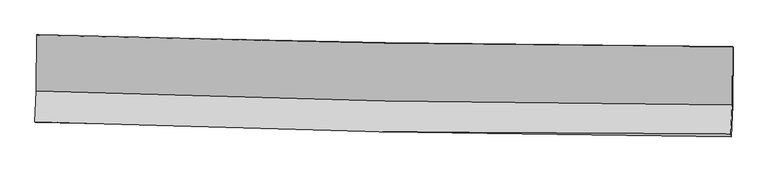
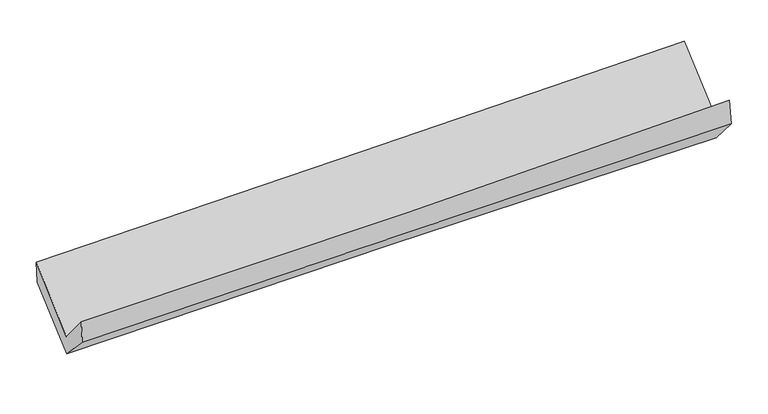
"""IFC4 building model written with IfcOpenShell, lengths in millimetres: proxy geometry."""

from ifc_helpers import new_model, si_unit, frame, origin, place, context, project, spatial, source, transform, mapped, element, save
from ifc_brep_helpers import plane_surface, spline_curve, spline_surface, advanced_brep


def generic_models_f9d85bf8(model_context):
    return source(origin(), model_context, "Body", "AdvancedBrep", [
        advanced_brep(
        [(-3030.3442216, -1170.9992821, 2178.9282363), (-3031.2981829, -1662.9324601, 1734.2108718), (3020.3785087, -1781.3448039, 1890.5876001), (3021.8894682, -1272.645575, 2327.546936), (-3044.6215177, -1930.9615169, 2051.2978677), (3007.4416815, -2033.5164379, 2206.4669375), (-3040.0871681, -1933.1512133, 1851.0261674), (3011.8310481, -2062.6089216, 1985.9295953), (-3027.4333352, -1662.5062705, 1565.7762893), (3025.1193606, -1787.7430438, 1677.1325991), (-3025.8269645, -1172.8173337, 1979.7707696), (3026.9402335, -1279.7506336, 2099.8528913)],
        [
            (0, 1),
            (1, 2, spline_curve(3, [(-3031.2981829, -1662.9324601, 1734.2108718), (-2023.136724624, -1699.581584316, 1764.521005226), (-1014.763927594, -1727.773801742, 1792.707156407), (1002.461612002, -1767.245543676, 1844.832973865), (2011.314379209, -1778.524107455, 1868.772398653), (3020.3785087, -1781.3448039, 1890.5876001)], [4, 2, 4], [0.0, 9.932587301025173, 19.865738598003755])),
            (2, 3),
            (3, 0, spline_curve(3, [(3021.8894682, -1272.645575, 2327.546936), (2012.705286974, -1268.936963431, 2311.854735291), (1003.746076603, -1258.611704774, 2291.623262994), (-1013.665127523, -1224.728855974, 2242.083180668), (-2022.117147328, -1201.172016721, 2212.775086613), (-3030.3442216, -1170.9992821, 2178.9282363)], [4, 2, 4], [0.0, 9.933151296978583, 19.865738598003755])),
            (1, 4),
            (4, 5, spline_curve(3, [(-3044.6215177, -1930.9615169, 2051.2978677), (-2036.507107576, -1971.648899161, 2079.67074354), (-1028.125628448, -2000.538925784, 2106.787605889), (989.228741114, -2034.725239379, 2158.510771951), (1998.2016616, -2040.020186007, 2183.116932626), (3007.4416815, -2033.5164379, 2206.4669375)], [4, 2, 4], [0.0, 9.932780587815486, 19.866125182559664])),
            (5, 2),
            (4, 6),
            (6, 7, spline_curve(3, [(-3040.0871681, -1933.1512133, 1851.0261674), (-2031.319049958, -1952.086838912, 1872.345339456), (-1022.622788821, -1972.342450244, 1894.246541989), (994.683291116, -2015.49486947, 1939.214285462), (2003.293102412, -2038.391827764, 1962.280891897), (3011.8310481, -2062.6089216, 1985.9295953)], [4, 2, 4], [0.0, 9.932331912080459, 19.865227805612733])),
            (7, 5),
            (6, 8),
            (8, 9, spline_curve(3, [(-3027.4333352, -1662.5062705, 1565.7762893), (-2018.984117191, -1686.566213818, 1595.961629357), (-1010.394440331, -1709.032332242, 1620.333893502), (1007.12310883, -1750.778104137, 1657.453323333), (2016.050997273, -1770.057577003, 1670.199829354), (3025.1193606, -1787.7430438, 1677.1325991)], [4, 2, 4], [0.0, 9.93221678905415, 19.86499755302316])),
            (9, 7),
            (8, 10),
            (10, 11, spline_curve(3, [(-3025.8269645, -1172.8173337, 1979.7707696), (-2017.316438333, -1200.542632034, 2003.653444516), (-1008.678232487, -1223.31627712, 2025.601396008), (1008.910819216, -1258.961273055, 2065.628989791), (2017.861679227, -1271.8320612, 2083.708411998), (3026.9402335, -1279.7506336, 2099.8528913)], [4, 2, 4], [0.0, 9.932410302089096, 19.86538459008118])),
            (11, 9),
            (10, 0),
            (3, 11),
        ],
        [
            spline_surface(3, 3, [[(-3030.3442216, -1170.9992821, 2178.9282363), (-2022.117147178, -1201.172016741, 2212.775086747), (-1013.665127657, -1224.72885588, 2242.083180818), (1003.746076736, -1258.611704867, 2291.623262844), (2012.705287137, -1268.936963362, 2311.854735335), (3021.8894682, -1272.645575, 2327.546936)], [(-3030.66220867, -1334.977008081, 2030.689114806), (-2022.457006249, -1367.308539283, 2063.357059608), (-1014.031394333, -1392.41050454, 2092.291172679), (1003.317921882, -1428.156317765, 2142.693166466), (2012.241651195, -1438.799344688, 2164.160623131), (3021.385815051, -1442.211984617, 2181.893824029)], [(-3030.98019583, -1498.954734119, 1882.449993294), (-2022.796865408, -1533.445061882, 1913.939032451), (-1014.397661049, -1560.092153198, 1942.499164621), (1002.889766988, -1597.700930662, 1993.763070169), (2011.7780152, -1608.661726063, 2016.466510941), (3020.882161849, -1611.778394283, 2036.240712071)], [(-3031.2981829, -1662.9324601, 1734.2108718), (-2023.13672448, -1699.581584424, 1764.521005312), (-1014.763927725, -1727.773801858, 1792.707156482), (1002.461612134, -1767.24554356, 1844.83297379), (2011.314379259, -1778.524107389, 1868.772398736), (3020.3785087, -1781.3448039, 1890.5876001)]], [4, 4], [4, 2, 4], [0.0, 2.2170650849755313], [0.0, 9.932587301025173, 19.865738598003755]),
            spline_surface(3, 3, [[(-3031.2981829, -1662.9324601, 1734.2108718), (-2023.13672448, -1699.581584424, 1764.521005312), (-1014.763927725, -1727.773801858, 1792.707156482), (1002.461612134, -1767.24554356, 1844.83297379), (2011.314379259, -1778.524107389, 1868.772398736), (3020.3785087, -1781.3448039, 1890.5876001)], [(-3035.739294504, -1752.275479038, 1839.906537098), (-2027.593518827, -1790.2706893, 1869.570918072), (-1019.217827955, -1818.695509856, 1897.400639642), (998.050655082, -1856.405442153, 1949.392239814), (2006.943473376, -1865.689466999, 1973.553910082), (3016.066232959, -1865.402015255, 1995.880712563)], [(-3040.180406096, -1841.618497962, 1945.602202402), (-2032.050313163, -1880.959794161, 1974.620830839), (-1023.671728133, -1909.61721784, 2002.09412281), (993.639698081, -1945.565340732, 2053.951505846), (2002.572567518, -1952.854826544, 2078.33542144), (3011.753957241, -1949.459226545, 2101.173825037)], [(-3044.6215177, -1930.9615169, 2051.2978677), (-2036.507107511, -1971.648899037, 2079.6707436), (-1028.125628363, -2000.538925838, 2106.78760597), (989.228741029, -2034.725239325, 2158.51077187), (1998.201661636, -2040.020186154, 2183.116932785), (3007.4416815, -2033.5164379, 2206.4669375)]], [4, 4], [4, 2, 4], [0.0, 1.3593250594024635], [0.0, 9.932780587815486, 19.866125182559664]),
            spline_surface(3, 3, [[(-3044.6215177, -1930.9615169, 2051.2978677), (-2036.507107511, -1971.648899037, 2079.6707436), (-1028.125628363, -2000.538925838, 2106.78760597), (989.228741029, -2034.725239325, 2158.51077187), (1998.201661636, -2040.020186154, 2183.116932785), (3007.4416815, -2033.5164379, 2206.4669375)], [(-3043.110067849, -1931.691415698, 1984.540634278), (-2034.777755037, -1965.128212272, 2010.562275556), (-1026.291348561, -1991.140100585, 2035.940584704), (991.046924443, -2028.315116093, 2085.411943029), (1999.898808501, -2039.4774, 2109.504919172), (3008.904803693, -2043.213932469, 2132.954490096)], [(-3041.598617951, -1932.421314502, 1917.783400822), (-2033.048402516, -1958.607525515, 1941.453807479), (-1024.457068768, -1981.741275335, 1965.093563404), (992.865107847, -2021.904992863, 2012.313114154), (2001.595955388, -2038.934613839, 2035.892905573), (3010.367925907, -2052.911427031, 2059.442042704)], [(-3040.0871681, -1933.1512133, 1851.0261674), (-2031.319050042, -1952.086838751, 1872.345339435), (-1022.622788965, -1972.342450083, 1894.246542138), (994.68329126, -2015.494869631, 1939.214285313), (2003.293102253, -2038.391827686, 1962.28089196), (3011.8310481, -2062.6089216, 1985.9295953)]], [4, 4], [4, 2, 4], [0.0, 0.7128815204907271], [0.0, 9.932331912080459, 19.865227805612733]),
            spline_surface(3, 3, [[(-3040.0871681, -1933.1512133, 1851.0261674), (-2031.319050042, -1952.086838751, 1872.345339435), (-1022.622788965, -1972.342450083, 1894.246542138), (994.68329126, -2015.494869631, 1939.214285313), (2003.293102253, -2038.391827686, 1962.28089196), (3011.8310481, -2062.6089216, 1985.9295953)], [(-3035.86922381, -1842.93623237, 1755.942874684), (-2027.20740577, -1863.579963763, 1780.217436045), (-1018.546672778, -1884.572410775, 1802.94232589), (998.829897146, -1927.255947847, 1845.293964713), (2007.545733961, -1948.947077441, 1864.920537772), (3016.260485599, -1970.986962327, 1882.997263248)], [(-3031.65127949, -1752.72125143, 1660.859582016), (-2023.095761469, -1775.073088765, 1688.089532702), (-1014.470556599, -1796.802371437, 1711.638109606), (1002.976503024, -1839.017026034, 1751.373644077), (2011.79836567, -1859.502327216, 1767.56018354), (3020.689923101, -1879.365003073, 1780.064931152)], [(-3027.4333352, -1662.5062705, 1565.7762893), (-2018.984117197, -1686.566213776, 1595.961629311), (-1010.394440412, -1709.032332129, 1620.333893358), (1007.12310891, -1750.778104249, 1657.453323477), (2016.050997377, -1770.057576971, 1670.199829352), (3025.1193606, -1787.7430438, 1677.1325991)]], [4, 4], [4, 2, 4], [0.0, 1.2581011997972609], [0.0, 9.93221678905415, 19.86499755302316]),
            spline_surface(3, 3, [[(-3027.4333352, -1662.5062705, 1565.7762893), (-2018.984117197, -1686.566213776, 1595.961629311), (-1010.394440412, -1709.032332129, 1620.333893358), (1007.12310891, -1750.778104249, 1657.453323477), (2016.050997377, -1770.057576971, 1670.199829352), (3025.1193606, -1787.7430438, 1677.1325991)], [(-3026.897878294, -1499.276624898, 1703.774449406), (-2018.428224236, -1524.558353233, 1731.858901013), (-1009.822371077, -1547.12698051, 1755.423060936), (1007.719012303, -1586.839160478, 1793.511878884), (2016.654557971, -1603.982405008, 1808.036023533), (3025.726318228, -1618.412240398, 1818.039363153)], [(-3026.362421406, -1336.046979302, 1841.772609494), (-2017.872331293, -1362.550492695, 1867.756172699), (-1009.250301718, -1385.221628876, 1890.512228517), (1008.31491572, -1422.900216691, 1929.570434296), (2017.258118579, -1437.90723305, 1945.872217756), (3026.333275872, -1449.081437002, 1958.946127247)], [(-3025.8269645, -1172.8173337, 1979.7707696), (-2017.316438331, -1200.542632151, 2003.653444401), (-1008.678232383, -1223.316277256, 2025.601396095), (1008.910819112, -1258.961272919, 2065.628989704), (2017.861679173, -1271.832061087, 2083.708411937), (3026.9402335, -1279.7506336, 2099.8528913)]], [4, 4], [4, 2, 4], [0.0, 2.0861560150885285], [0.0, 9.932410302089096, 19.86538459008118]),
            spline_surface(3, 3, [[(-3025.8269645, -1172.8173337, 1979.7707696), (-2017.316438331, -1200.542632151, 2003.653444401), (-1008.678232383, -1223.316277256, 2025.601396095), (1008.910819112, -1258.961272919, 2065.628989704), (2017.861679173, -1271.832061087, 2083.708411937), (3026.9402335, -1279.7506336, 2099.8528913)], [(-3027.332716873, -1172.211316515, 2046.156591829), (-2018.91667462, -1200.752427029, 2073.360658512), (-1010.340530801, -1223.787136778, 2097.76199101), (1007.189238327, -1258.844750216, 2140.960414091), (2016.142881831, -1270.867028513, 2159.757186416), (3025.25664507, -1277.382280734, 2175.750906212)], [(-3028.838469227, -1171.605299285, 2112.542414071), (-2020.516910889, -1200.962221863, 2143.067872636), (-1012.002829239, -1224.257996358, 2169.922585903), (1005.467657521, -1258.72822757, 2216.291838457), (2014.424084479, -1269.901995936, 2235.805960857), (3023.57305663, -1275.013927866, 2251.648921088)], [(-3030.3442216, -1170.9992821, 2178.9282363), (-2022.117147178, -1201.172016741, 2212.775086747), (-1013.665127657, -1224.72885588, 2242.083180818), (1003.746076736, -1258.611704867, 2291.623262844), (2012.705287137, -1268.936963362, 2311.854735335), (3021.8894682, -1272.645575, 2327.546936)]], [4, 4], [4, 2, 4], [0.0, 0.7260405390072555], [0.0, 9.932493122086981, 19.86555023477967]),
            plane_surface(frame((3018.9333834, -1702.9349026, 2031.2527599), z_axis=(0.9994823855408446, -0.022619087312481603, 0.02287657934948743), x_axis=(0.002755257242701878, 0.768669674538443, 0.6396400081315199))),
            plane_surface(frame((-3033.268565, -1588.8946794, 1893.5017004), z_axis=(-0.9994823855409009, 0.02261908731109674, -0.022876579348389183), x_axis=(0.022675060062845726, -0.009125986659651104, -0.9997012343788689))),
        ],
        [
            (0, [[1, 2, 3, 4]]),
            (1, [[5, 6, 7, -2]]),
            (2, [[8, 9, 10, -6]]),
            (3, [[11, 12, 13, -9]]),
            (4, [[14, 15, 16, -12]]),
            (5, [[17, -4, 18, -15]]),
            (6, [[-16, -18, -3, -7, -10, -13]]),
            (7, [[-17, -14, -11, -8, -5, -1]]),
        ],
    ),
    ])


if __name__ == "__main__":
    model = new_model("IFC4")
    model_context = context("Model", 3, world=origin())
    ifc_project = project(units=[si_unit("LENGTHUNIT", "METRE", prefix="MILLI")], contexts=[model_context])
    site = spatial("IfcSite", under=ifc_project)
    building = spatial("IfcBuilding", under=site)
    placement = place(None, origin())
    generic_models_shape = generic_models_f9d85bf8(model_context)
    element("IfcBuildingElementProxy", 1, Name="Generic Models", at=placement, inside=building, context=model_context, shape_type="MappedRepresentation", body=[
        mapped(generic_models_shape, transform((0.0, 0.0, 0.0), x_axis=(1.0, 0.0, 0.0), y_axis=(0.0, 1.0, 0.0), z_axis=(0.0, 0.0, 1.0))),
    ])
    save(model, "model.ifc")
